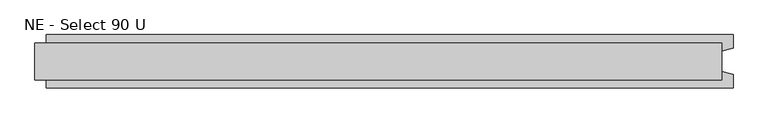
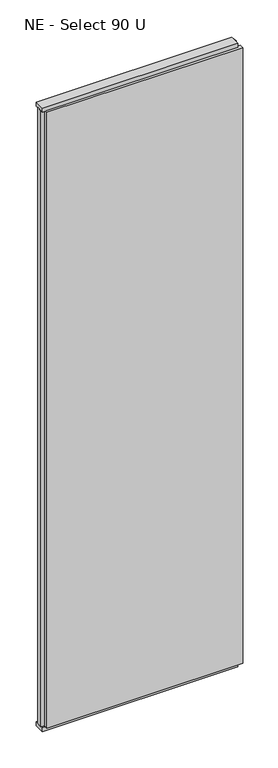
"""IFC4 building model written with IfcOpenShell, lengths in millimetres: plate geometry, NE - Select 90 U."""

from ifc_helpers import new_model, si_unit, frame, origin, origin_with_axes, place, context, project, spatial, polyline, outline, extrude, source, transform, mapped, element, save


def ne_select_90_u_1f49589a(model_context):
    return source(origin(), model_context, "Body", "SweptSolid", [
        extrude(outline(polyline([(613.5, 46.0), (613.5, 22.9993165), (593.5, 17.6401049), (593.5, -17.6401049), (613.5, -22.9993165), (613.5, -46.0), (-573.5, -46.0), (-573.5, -22.9993165), (-593.5, -17.6401049), (-593.5, 17.6401049), (-573.5, 22.9993165), (-573.5, 46.0), (613.5, 46.0)])), frame((0.0, 0.0, 25.0), z_axis=(0.0, 0.0, 1.0), x_axis=(1.0, 0.0, 0.0)), (0.0, 0.0, 1.0), 3950.0),
        extrude(outline(polyline([(593.5, 32.0), (593.5, -32.0), (-593.5, -32.0), (-593.5, 32.0), (593.5, 32.0)])), origin_with_axes(), (0.0, 0.0, 1.0), 25.0),
        extrude(outline(polyline([(593.5, 32.0), (593.5, -32.0), (-593.5, -32.0), (-593.5, 32.0), (593.5, 32.0)])), frame((0.0, 0.0, 3975.0), z_axis=(0.0, 0.0, 1.0), x_axis=(1.0, 0.0, 0.0)), (0.0, 0.0, 1.0), 25.0),
    ])


if __name__ == "__main__":
    model = new_model("IFC4")
    model_context = context("Model", 3, world=origin())
    ifc_project = project(units=[si_unit("LENGTHUNIT", "METRE", prefix="MILLI")], contexts=[model_context])
    site = spatial("IfcSite", under=ifc_project)
    building = spatial("IfcBuilding", under=site)
    placement = place(None, origin())
    ne_select_90_u_shape = ne_select_90_u_1f49589a(model_context)
    element("IfcPlate", 1, ObjectType="NE - Select 90 U", at=placement, inside=building, context=model_context, shape_type="MappedRepresentation", body=[
        mapped(ne_select_90_u_shape, transform((0.0, 0.0, 0.0), x_axis=(1.0, 0.0, 0.0), y_axis=(0.0, 1.0, 0.0), z_axis=(0.0, 0.0, 1.0))),
    ])
    save(model, "model.ifc")
